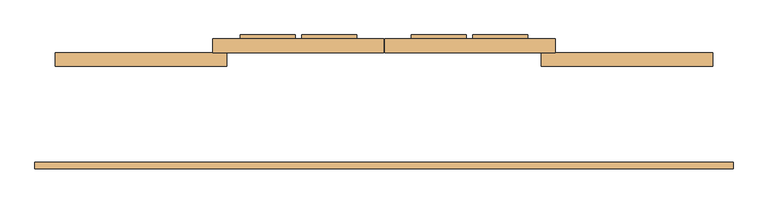
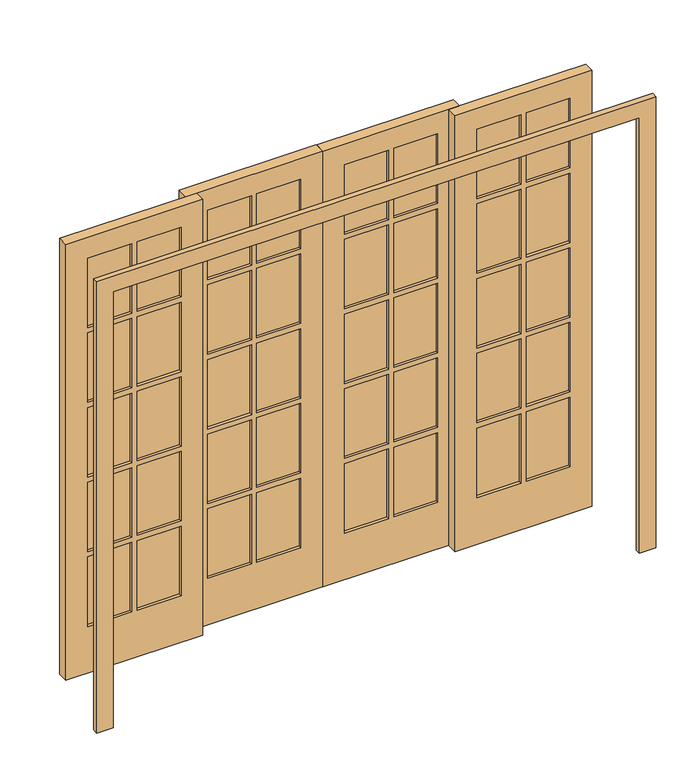
"""IFC4 building model written with IfcOpenShell, lengths in millimetres: door geometry."""

from ifc_helpers import new_model, si_unit, frame, origin, place, context, project, spatial, polyline, outline, extrude, source, transform, mapped, element, save


def door_c8fdd2c1(model_context):
    return source(origin(), model_context, "Body", "SweptSolid", [
        extrude(outline(polyline([(914.4, 291.8293121), (1117.6, 291.8293121), (1117.6, 267.2534681), (914.4, 267.2534681), (914.4, 291.8293121)])), frame((0.0, 0.0, 1691.64), z_axis=(0.0, 0.0, 1.0), x_axis=(1.0, 0.0, 0.0)), (0.0, 0.0, 1.0), 340.36),
        extrude(outline(polyline([(685.8, 291.8293121), (889.0, 291.8293121), (889.0, 267.2534681), (685.8, 267.2534681), (685.8, 291.8293121)])), frame((0.0, 0.0, 1691.64), z_axis=(0.0, 0.0, 1.0), x_axis=(1.0, 0.0, 0.0)), (0.0, 0.0, 1.0), 340.36),
        extrude(outline(polyline([(914.4, 291.8293121), (1117.6, 291.8293121), (1117.6, 267.2534681), (914.4, 267.2534681), (914.4, 291.8293121)])), frame((0.0, 0.0, 1325.88), z_axis=(0.0, 0.0, 1.0), x_axis=(1.0, 0.0, 0.0)), (0.0, 0.0, 1.0), 340.36),
        extrude(outline(polyline([(685.8, 291.8293121), (889.0, 291.8293121), (889.0, 267.2534681), (685.8, 267.2534681), (685.8, 291.8293121)])), frame((0.0, 0.0, 1325.88), z_axis=(0.0, 0.0, 1.0), x_axis=(1.0, 0.0, 0.0)), (0.0, 0.0, 1.0), 340.36),
        extrude(outline(polyline([(914.4, 291.8293121), (1117.6, 291.8293121), (1117.6, 267.2534681), (914.4, 267.2534681), (914.4, 291.8293121)])), frame((0.0, 0.0, 960.12), z_axis=(0.0, 0.0, 1.0), x_axis=(1.0, 0.0, 0.0)), (0.0, 0.0, 1.0), 340.36),
        extrude(outline(polyline([(685.8, 291.8293121), (889.0, 291.8293121), (889.0, 267.2534681), (685.8, 267.2534681), (685.8, 291.8293121)])), frame((0.0, 0.0, 960.12), z_axis=(0.0, 0.0, 1.0), x_axis=(1.0, 0.0, 0.0)), (0.0, 0.0, 1.0), 340.36),
        extrude(outline(polyline([(914.4, 291.8293121), (1117.6, 291.8293121), (1117.6, 267.2534681), (914.4, 267.2534681), (914.4, 291.8293121)])), frame((0.0, 0.0, 594.36), z_axis=(0.0, 0.0, 1.0), x_axis=(1.0, 0.0, 0.0)), (0.0, 0.0, 1.0), 340.36),
        extrude(outline(polyline([(685.8, 291.8293121), (889.0, 291.8293121), (889.0, 267.2534681), (685.8, 267.2534681), (685.8, 291.8293121)])), frame((0.0, 0.0, 594.36), z_axis=(0.0, 0.0, 1.0), x_axis=(1.0, 0.0, 0.0)), (0.0, 0.0, 1.0), 340.36),
        extrude(outline(polyline([(914.4, 291.8293121), (1117.6, 291.8293121), (1117.6, 267.2534681), (914.4, 267.2534681), (914.4, 291.8293121)])), frame((0.0, 0.0, 228.6), z_axis=(0.0, 0.0, 1.0), x_axis=(1.0, 0.0, 0.0)), (0.0, 0.0, 1.0), 340.36),
        extrude(outline(polyline([(685.8, 291.8293121), (889.0, 291.8293121), (889.0, 267.2534681), (685.8, 267.2534681), (685.8, 291.8293121)])), frame((0.0, 0.0, 228.6), z_axis=(0.0, 0.0, 1.0), x_axis=(1.0, 0.0, 0.0)), (0.0, 0.0, 1.0), 340.36),
        extrude(outline(polyline([(-889.0, 291.8293121), (-685.8, 291.8293121), (-685.8, 267.2534681), (-889.0, 267.2534681), (-889.0, 291.8293121)])), frame((0.0, 0.0, 1691.64), z_axis=(0.0, 0.0, 1.0), x_axis=(1.0, 0.0, 0.0)), (0.0, 0.0, 1.0), 340.36),
        extrude(outline(polyline([(-1117.6, 291.8293121), (-914.4, 291.8293121), (-914.4, 267.2534681), (-1117.6, 267.2534681), (-1117.6, 291.8293121)])), frame((0.0, 0.0, 1691.64), z_axis=(0.0, 0.0, 1.0), x_axis=(1.0, 0.0, 0.0)), (0.0, 0.0, 1.0), 340.36),
        extrude(outline(polyline([(-889.0, 291.8293121), (-685.8, 291.8293121), (-685.8, 267.2534681), (-889.0, 267.2534681), (-889.0, 291.8293121)])), frame((0.0, 0.0, 1325.88), z_axis=(0.0, 0.0, 1.0), x_axis=(1.0, 0.0, 0.0)), (0.0, 0.0, 1.0), 340.36),
        extrude(outline(polyline([(-1117.6, 291.8293121), (-914.4, 291.8293121), (-914.4, 267.2534681), (-1117.6, 267.2534681), (-1117.6, 291.8293121)])), frame((0.0, 0.0, 1325.88), z_axis=(0.0, 0.0, 1.0), x_axis=(1.0, 0.0, 0.0)), (0.0, 0.0, 1.0), 340.36),
        extrude(outline(polyline([(-889.0, 291.8293121), (-685.8, 291.8293121), (-685.8, 267.2534681), (-889.0, 267.2534681), (-889.0, 291.8293121)])), frame((0.0, 0.0, 960.12), z_axis=(0.0, 0.0, 1.0), x_axis=(1.0, 0.0, 0.0)), (0.0, 0.0, 1.0), 340.36),
        extrude(outline(polyline([(-1117.6, 291.8293121), (-914.4, 291.8293121), (-914.4, 267.2534681), (-1117.6, 267.2534681), (-1117.6, 291.8293121)])), frame((0.0, 0.0, 960.12), z_axis=(0.0, 0.0, 1.0), x_axis=(1.0, 0.0, 0.0)), (0.0, 0.0, 1.0), 340.36),
        extrude(outline(polyline([(-1117.6, 291.8293121), (-914.4, 291.8293121), (-914.4, 267.2534681), (-1117.6, 267.2534681), (-1117.6, 291.8293121)])), frame((0.0, 0.0, 594.36), z_axis=(0.0, 0.0, 1.0), x_axis=(1.0, 0.0, 0.0)), (0.0, 0.0, 1.0), 340.36),
        extrude(outline(polyline([(-889.0, 291.8293121), (-685.8, 291.8293121), (-685.8, 267.2534681), (-889.0, 267.2534681), (-889.0, 291.8293121)])), frame((0.0, 0.0, 594.36), z_axis=(0.0, 0.0, 1.0), x_axis=(1.0, 0.0, 0.0)), (0.0, 0.0, 1.0), 340.36),
        extrude(outline(polyline([(-1117.6, 291.8293121), (-914.4, 291.8293121), (-914.4, 267.2534681), (-1117.6, 267.2534681), (-1117.6, 291.8293121)])), frame((0.0, 0.0, 228.6), z_axis=(0.0, 0.0, 1.0), x_axis=(1.0, 0.0, 0.0)), (0.0, 0.0, 1.0), 340.36),
        extrude(outline(polyline([(-889.0, 291.8293121), (-685.8, 291.8293121), (-685.8, 267.2534681), (-889.0, 267.2534681), (-889.0, 291.8293121)])), frame((0.0, 0.0, 228.6), z_axis=(0.0, 0.0, 1.0), x_axis=(1.0, 0.0, 0.0)), (0.0, 0.0, 1.0), 340.36),
        extrude(outline(polyline([(-101.6, 317.5), (-304.8, 317.5), (-304.8, 370.5288552), (-101.6, 370.5288552), (-101.6, 317.5)])), frame((0.0, 0.0, 1691.64), z_axis=(0.0, 0.0, 1.0), x_axis=(1.0, 0.0, 0.0)), (0.0, 0.0, 1.0), 340.36),
        extrude(outline(polyline([(-330.2, 317.5), (-533.4, 317.5), (-533.4, 370.5288552), (-330.2, 370.5288552), (-330.2, 317.5)])), frame((0.0, 0.0, 1691.64), z_axis=(0.0, 0.0, 1.0), x_axis=(1.0, 0.0, 0.0)), (0.0, 0.0, 1.0), 340.36),
        extrude(outline(polyline([(-330.2, 317.5), (-533.4, 317.5), (-533.4, 370.5288552), (-330.2, 370.5288552), (-330.2, 317.5)])), frame((0.0, 0.0, 1325.88), z_axis=(0.0, 0.0, 1.0), x_axis=(1.0, 0.0, 0.0)), (0.0, 0.0, 1.0), 340.36),
        extrude(outline(polyline([(-101.6, 317.5), (-304.8, 317.5), (-304.8, 370.5288552), (-101.6, 370.5288552), (-101.6, 317.5)])), frame((0.0, 0.0, 1325.88), z_axis=(0.0, 0.0, 1.0), x_axis=(1.0, 0.0, 0.0)), (0.0, 0.0, 1.0), 340.36),
        extrude(outline(polyline([(-330.2, 317.5), (-533.4, 317.5), (-533.4, 370.5288552), (-330.2, 370.5288552), (-330.2, 317.5)])), frame((0.0, 0.0, 960.12), z_axis=(0.0, 0.0, 1.0), x_axis=(1.0, 0.0, 0.0)), (0.0, 0.0, 1.0), 340.36),
        extrude(outline(polyline([(-101.6, 317.5), (-304.8, 317.5), (-304.8, 370.5288552), (-101.6, 370.5288552), (-101.6, 317.5)])), frame((0.0, 0.0, 960.12), z_axis=(0.0, 0.0, 1.0), x_axis=(1.0, 0.0, 0.0)), (0.0, 0.0, 1.0), 340.36),
        extrude(outline(polyline([(-330.2, 317.5), (-533.4, 317.5), (-533.4, 370.5288552), (-330.2, 370.5288552), (-330.2, 317.5)])), frame((0.0, 0.0, 594.36), z_axis=(0.0, 0.0, 1.0), x_axis=(1.0, 0.0, 0.0)), (0.0, 0.0, 1.0), 340.36),
        extrude(outline(polyline([(-101.6, 317.5), (-304.8, 317.5), (-304.8, 370.5288552), (-101.6, 370.5288552), (-101.6, 317.5)])), frame((0.0, 0.0, 594.36), z_axis=(0.0, 0.0, 1.0), x_axis=(1.0, 0.0, 0.0)), (0.0, 0.0, 1.0), 340.36),
        extrude(outline(polyline([(-330.2, 317.5), (-533.4, 317.5), (-533.4, 370.5288552), (-330.2, 370.5288552), (-330.2, 317.5)])), frame((0.0, 0.0, 228.6), z_axis=(0.0, 0.0, 1.0), x_axis=(1.0, 0.0, 0.0)), (0.0, 0.0, 1.0), 340.36),
        extrude(outline(polyline([(-101.6, 317.5), (-304.8, 317.5), (-304.8, 370.5288552), (-101.6, 370.5288552), (-101.6, 317.5)])), frame((0.0, 0.0, 228.6), z_axis=(0.0, 0.0, 1.0), x_axis=(1.0, 0.0, 0.0)), (0.0, 0.0, 1.0), 340.36),
        extrude(outline(polyline([(533.4, 317.5), (330.2, 317.5), (330.2, 370.5288552), (533.4, 370.5288552), (533.4, 317.5)])), frame((0.0, 0.0, 1691.64), z_axis=(0.0, 0.0, 1.0), x_axis=(1.0, 0.0, 0.0)), (0.0, 0.0, 1.0), 340.36),
        extrude(outline(polyline([(304.8, 317.5), (101.6, 317.5), (101.6, 370.5288552), (304.8, 370.5288552), (304.8, 317.5)])), frame((0.0, 0.0, 1691.64), z_axis=(0.0, 0.0, 1.0), x_axis=(1.0, 0.0, 0.0)), (0.0, 0.0, 1.0), 340.36),
        extrude(outline(polyline([(304.8, 317.5), (101.6, 317.5), (101.6, 370.5288552), (304.8, 370.5288552), (304.8, 317.5)])), frame((0.0, 0.0, 1325.88), z_axis=(0.0, 0.0, 1.0), x_axis=(1.0, 0.0, 0.0)), (0.0, 0.0, 1.0), 340.36),
        extrude(outline(polyline([(533.4, 317.5), (330.2, 317.5), (330.2, 370.5288552), (533.4, 370.5288552), (533.4, 317.5)])), frame((0.0, 0.0, 1325.88), z_axis=(0.0, 0.0, 1.0), x_axis=(1.0, 0.0, 0.0)), (0.0, 0.0, 1.0), 340.36),
        extrude(outline(polyline([(304.8, 317.5), (101.6, 317.5), (101.6, 370.5288552), (304.8, 370.5288552), (304.8, 317.5)])), frame((0.0, 0.0, 960.12), z_axis=(0.0, 0.0, 1.0), x_axis=(1.0, 0.0, 0.0)), (0.0, 0.0, 1.0), 340.36),
        extrude(outline(polyline([(533.4, 317.5), (330.2, 317.5), (330.2, 370.5288552), (533.4, 370.5288552), (533.4, 317.5)])), frame((0.0, 0.0, 960.12), z_axis=(0.0, 0.0, 1.0), x_axis=(1.0, 0.0, 0.0)), (0.0, 0.0, 1.0), 340.36),
        extrude(outline(polyline([(533.4, 317.5), (330.2, 317.5), (330.2, 370.5288552), (533.4, 370.5288552), (533.4, 317.5)])), frame((0.0, 0.0, 594.36), z_axis=(0.0, 0.0, 1.0), x_axis=(1.0, 0.0, 0.0)), (0.0, 0.0, 1.0), 340.36),
        extrude(outline(polyline([(304.8, 317.5), (101.6, 317.5), (101.6, 370.5288552), (304.8, 370.5288552), (304.8, 317.5)])), frame((0.0, 0.0, 594.36), z_axis=(0.0, 0.0, 1.0), x_axis=(1.0, 0.0, 0.0)), (0.0, 0.0, 1.0), 340.36),
        extrude(outline(polyline([(304.8, 317.5), (101.6, 317.5), (101.6, 370.5288552), (304.8, 370.5288552), (304.8, 317.5)])), frame((0.0, 0.0, 228.6), z_axis=(0.0, 0.0, 1.0), x_axis=(1.0, 0.0, 0.0)), (0.0, 0.0, 1.0), 340.36),
        extrude(outline(polyline([(533.4, 317.5), (330.2, 317.5), (330.2, 370.5288552), (533.4, 370.5288552), (533.4, 317.5)])), frame((0.0, 0.0, 228.6), z_axis=(0.0, 0.0, 1.0), x_axis=(1.0, 0.0, 0.0)), (0.0, 0.0, 1.0), 340.36),
        extrude(outline(polyline([(2133.6, -635.0), (0.0, -635.0), (0.0, 0.0), (2133.6, 0.0), (2133.6, -635.0)]), holes=[polyline([(2032.0, -304.8), (2032.0, -101.6), (1691.64, -101.6), (1691.64, -304.8), (2032.0, -304.8)]), polyline([(568.96, -101.6), (228.6, -101.6), (228.6, -304.8), (568.96, -304.8), (568.96, -101.6)]), polyline([(1666.24, -101.6), (1325.88, -101.6), (1325.88, -304.8), (1666.24, -304.8), (1666.24, -101.6)]), polyline([(1691.64, -330.2), (1691.64, -533.4), (2032.0, -533.4), (2032.0, -330.2), (1691.64, -330.2)]), polyline([(1666.24, -330.2), (1325.88, -330.2), (1325.88, -533.4), (1666.24, -533.4), (1666.24, -330.2)]), polyline([(1300.48, -330.2), (960.12, -330.2), (960.12, -533.4), (1300.48, -533.4), (1300.48, -330.2)]), polyline([(1300.48, -101.6), (960.12, -101.6), (960.12, -304.8), (1300.48, -304.8), (1300.48, -101.6)]), polyline([(934.72, -330.2), (594.36, -330.2), (594.36, -533.4), (934.72, -533.4), (934.72, -330.2)]), polyline([(934.72, -101.6), (594.36, -101.6), (594.36, -304.8), (934.72, -304.8), (934.72, -101.6)]), polyline([(228.6, -330.2), (228.6, -533.4), (568.96, -533.4), (568.96, -330.2), (228.6, -330.2)])]), frame((0.0, 304.8, 0.0), z_axis=(0.0, 1.0, 0.0), x_axis=(0.0, 0.0, 1.0)), (0.0, 0.0, 1.0), 50.8),
        extrude(outline(polyline([(2133.6, 3.175), (0.0, 3.175), (0.0, 635.0), (2133.6, 635.0), (2133.6, 3.175)]), holes=[polyline([(1691.64, 330.2), (2032.0, 330.2), (2032.0, 533.4), (1691.64, 533.4), (1691.64, 330.2)]), polyline([(568.96, 304.8), (228.6, 304.8), (228.6, 101.6), (568.96, 101.6), (568.96, 304.8)]), polyline([(1691.64, 101.6), (2032.0, 101.6), (2032.0, 304.8), (1691.64, 304.8), (1691.64, 101.6)]), polyline([(1666.24, 101.6), (1666.24, 304.8), (1325.88, 304.8), (1325.88, 101.6), (1666.24, 101.6)]), polyline([(1666.24, 533.4), (1325.88, 533.4), (1325.88, 330.2), (1666.24, 330.2), (1666.24, 533.4)]), polyline([(1300.48, 101.6), (1300.48, 304.8), (960.12, 304.8), (960.12, 101.6), (1300.48, 101.6)]), polyline([(1300.48, 533.4), (960.12, 533.4), (960.12, 330.2), (1300.48, 330.2), (1300.48, 533.4)]), polyline([(934.72, 101.6), (934.72, 304.8), (594.36, 304.8), (594.36, 101.6), (934.72, 101.6)]), polyline([(934.72, 533.4), (594.36, 533.4), (594.36, 330.2), (934.72, 330.2), (934.72, 533.4)]), polyline([(568.96, 533.4), (228.6, 533.4), (228.6, 330.2), (568.96, 330.2), (568.96, 533.4)])]), frame((0.0, 304.8, 0.0), z_axis=(0.0, 1.0, 0.0), x_axis=(0.0, 0.0, 1.0)), (0.0, 0.0, 1.0), 50.8),
        extrude(outline(polyline([(2133.6, 584.2), (0.0, 584.2), (0.0, 1219.2), (2133.6, 1219.2), (2133.6, 584.2)]), holes=[polyline([(2032.0, 914.4), (2032.0, 1117.6), (1691.64, 1117.6), (1691.64, 914.4), (2032.0, 914.4)]), polyline([(568.96, 1117.6), (228.6, 1117.6), (228.6, 914.4), (568.96, 914.4), (568.96, 1117.6)]), polyline([(1666.24, 914.4), (1666.24, 1117.6), (1325.88, 1117.6), (1325.88, 914.4), (1666.24, 914.4)]), polyline([(1300.48, 914.4), (1300.48, 1117.6), (960.12, 1117.6), (960.12, 914.4), (1300.48, 914.4)]), polyline([(594.36, 914.4), (934.72, 914.4), (934.72, 1117.6), (594.36, 1117.6), (594.36, 914.4)]), polyline([(960.12, 889.0), (960.12, 685.8), (1300.48, 685.8), (1300.48, 889.0), (960.12, 889.0)]), polyline([(934.72, 889.0), (594.36, 889.0), (594.36, 685.8), (934.72, 685.8), (934.72, 889.0)]), polyline([(228.6, 889.0), (228.6, 685.8), (568.96, 685.8), (568.96, 889.0), (228.6, 889.0)]), polyline([(1691.64, 685.8), (2032.0, 685.8), (2032.0, 889.0), (1691.64, 889.0), (1691.64, 685.8)]), polyline([(1325.88, 685.8), (1666.24, 685.8), (1666.24, 889.0), (1325.88, 889.0), (1325.88, 685.8)])]), frame((0.0, 254.0, 0.0), z_axis=(0.0, 1.0, 0.0), x_axis=(0.0, 0.0, 1.0)), (0.0, 0.0, 1.0), 50.8),
        extrude(outline(polyline([(2133.6, -1219.2), (0.0, -1219.2), (0.0, -584.2), (2133.6, -584.2), (2133.6, -1219.2)]), holes=[polyline([(2032.0, -889.0), (2032.0, -685.8), (1691.64, -685.8), (1691.64, -889.0), (2032.0, -889.0)]), polyline([(568.96, -685.8), (228.6, -685.8), (228.6, -889.0), (568.96, -889.0), (568.96, -685.8)]), polyline([(228.6, -914.4), (228.6, -1117.6), (568.96, -1117.6), (568.96, -914.4), (228.6, -914.4)]), polyline([(1691.64, -1117.6), (2032.0, -1117.6), (2032.0, -914.4), (1691.64, -914.4), (1691.64, -1117.6)]), polyline([(1666.24, -914.4), (1325.88, -914.4), (1325.88, -1117.6), (1666.24, -1117.6), (1666.24, -914.4)]), polyline([(1300.48, -914.4), (960.12, -914.4), (960.12, -1117.6), (1300.48, -1117.6), (1300.48, -914.4)]), polyline([(934.72, -914.4), (594.36, -914.4), (594.36, -1117.6), (934.72, -1117.6), (934.72, -914.4)]), polyline([(934.72, -685.8), (594.36, -685.8), (594.36, -889.0), (934.72, -889.0), (934.72, -685.8)]), polyline([(1300.48, -685.8), (960.12, -685.8), (960.12, -889.0), (1300.48, -889.0), (1300.48, -685.8)]), polyline([(1666.24, -685.8), (1325.88, -685.8), (1325.88, -889.0), (1666.24, -889.0), (1666.24, -685.8)])]), frame((0.0, 254.0, 0.0), z_axis=(0.0, 1.0, 0.0), x_axis=(0.0, 0.0, 1.0)), (0.0, 0.0, 1.0), 50.8),
        extrude(outline(polyline([(2133.6, -1219.2), (2133.6, 1219.2), (0.0, 1219.2), (0.0, 1295.4), (2209.8, 1295.4), (2209.8, -1295.4), (0.0, -1295.4), (0.0, -1219.2), (2133.6, -1219.2)])), frame((0.0, -127.0, 0.0), z_axis=(0.0, 1.0, 0.0), x_axis=(0.0, 0.0, 1.0)), (0.0, 0.0, 1.0), 25.4),
    ])


if __name__ == "__main__":
    model = new_model("IFC4")
    model_context = context("Model", 3, world=origin())
    ifc_project = project(units=[si_unit("LENGTHUNIT", "METRE", prefix="MILLI")], contexts=[model_context])
    site = spatial("IfcSite", under=ifc_project)
    building = spatial("IfcBuilding", under=site)
    placement = place(None, origin())
    door_shape = door_c8fdd2c1(model_context)
    element("IfcDoor", 1, at=placement, inside=building, context=model_context, shape_type="MappedRepresentation", body=[
        mapped(door_shape, transform((0.0, 0.0, 0.0), x_axis=(1.0, 0.0, 0.0), y_axis=(0.0, 1.0, 0.0), z_axis=(0.0, 0.0, 1.0))),
    ])
    save(model, "model.ifc")
